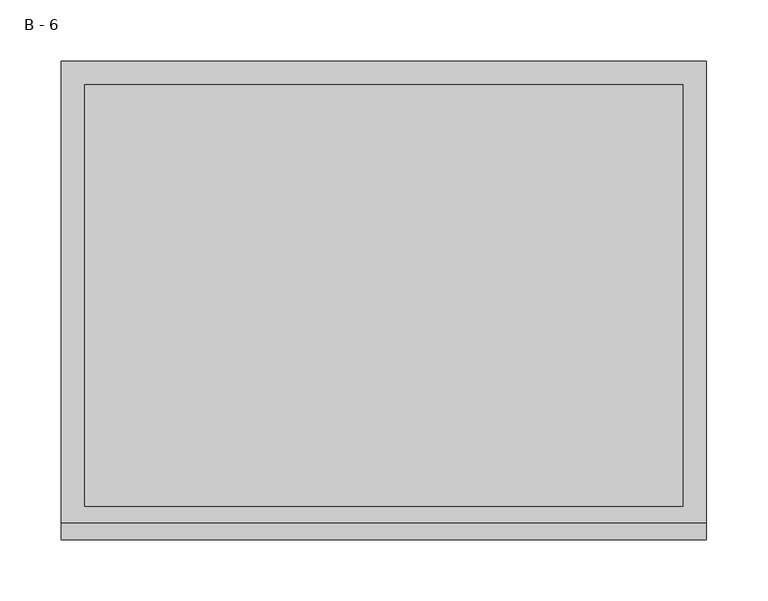
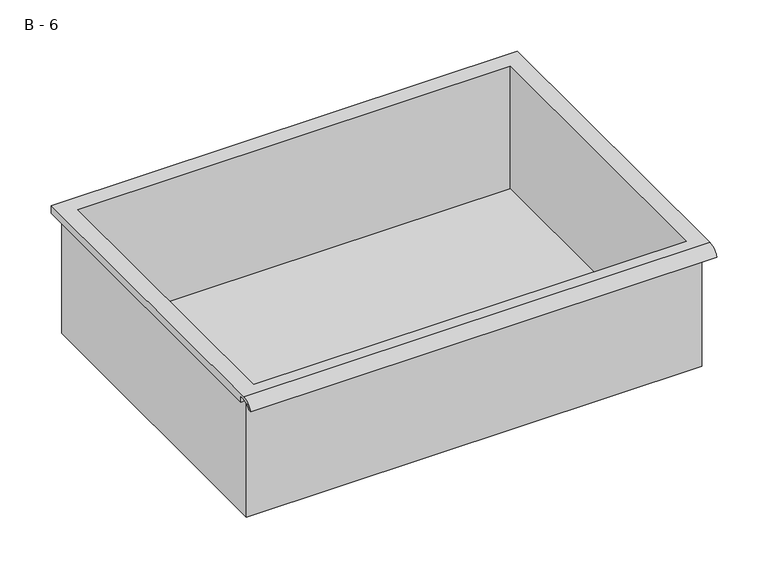
"""IFC4 building model written with IfcOpenShell, lengths in millimetres: furniture geometry, B - 6."""

import ifcopenshell
import ifcopenshell.guid

model = None  # the IFC model being written
_history = None  # IfcOwnerHistory: only IFC2X3 demands one
_inside = {}  # id of a spatial element -> (the spatial element, [elements in it])
_under = {}  # id of a project, library or spatial element -> (it, [spatial elements below it])
_declared = {}  # id of a project -> (the project, [libraries it declares])
_typed = {}  # id of a type object -> (the type object, [elements of that type])
_made_of = {}  # id of a material, layer set ... -> (it, [elements and type objects made of it])


def new_model(schema):
    """Start an empty IFC model of exactly this schema.

    Asked for "IFC4X3", IfcOpenShell would pick the latest addendum, in which some entities
    have other attributes; the version numbers below select the first issue.
    IFC2X3 requires an IfcOwnerHistory on every rooted entity: one is made here for all.
    """
    global model, _history
    if schema == "IFC4X3":
        model = ifcopenshell.file(schema_version=(4, 3, 0, 0))
    else:
        model = ifcopenshell.file(schema=schema)
    _inside.clear()
    _under.clear()
    _declared.clear()
    _typed.clear()
    _made_of.clear()
    _history = None
    if model.schema == "IFC2X3":
        org = make("IfcOrganization", Name="unknown")
        user = make(
            "IfcPersonAndOrganization",
            ThePerson=make("IfcPerson", FamilyName="unknown"),
            TheOrganization=org,
        )
        app = make(
            "IfcApplication",
            ApplicationDeveloper=org,
            Version="unknown",
            ApplicationFullName="unknown",
            ApplicationIdentifier="unknown",
        )
        _history = make(
            "IfcOwnerHistory",
            OwningUser=user,
            OwningApplication=app,
            ChangeAction="ADDED",
            CreationDate=0,
        )
    return model


def make(cls, **values):
    """One entity of the class cls with the attributes given. An attribute that is None is left unset."""
    return model.create_entity(
        cls, **{name: value for name, value in values.items() if value is not None}
    )


def rooted(cls, **values):
    """An entity with a GlobalId (a new one), such as an element, a storey or a relation."""
    return make(cls, GlobalId=ifcopenshell.guid.new(), OwnerHistory=_history, **values)


def si_unit(unit_type, name, prefix=None):
    """IfcSIUnit, for example si_unit("LENGTHUNIT", "METRE", prefix="MILLI")."""
    return make("IfcSIUnit", UnitType=unit_type, Prefix=prefix, Name=name)


def assignment(units):
    """IfcUnitAssignment: the units of a project."""
    return None if units is None else make("IfcUnitAssignment", Units=units)


def point(xyz):
    """IfcCartesianPoint."""
    return None if xyz is None else make("IfcCartesianPoint", Coordinates=xyz)


def direction(xyz):
    """IfcDirection."""
    return None if xyz is None else make("IfcDirection", DirectionRatios=xyz)


def frame(location, z_axis=None, x_axis=None):
    """IfcAxis2Placement3D, a coordinate frame: its origin and axes. An axis left out is left unset."""
    return make(
        "IfcAxis2Placement3D",
        Location=point(location),
        Axis=direction(z_axis),
        RefDirection=direction(x_axis),
    )


def origin():
    """The frame at (0, 0, 0) with its axes left unset."""
    return frame((0.0, 0.0, 0.0))


def place(relative_to, where):
    """IfcLocalPlacement: puts the frame where relative to a parent placement (None: the world)."""
    return make(
        "IfcLocalPlacement", PlacementRelTo=relative_to, RelativePlacement=where
    )


def context(
    kind, dimensions, precision=None, world=None, true_north=None, identifier=None
):
    """IfcGeometricRepresentationContext, for example the 3D "Model" context."""
    return make(
        "IfcGeometricRepresentationContext",
        ContextIdentifier=identifier,
        ContextType=kind,
        CoordinateSpaceDimension=dimensions,
        Precision=precision,
        WorldCoordinateSystem=world,
        TrueNorth=true_north,
    )


def project(units=None, contexts=None):
    """IfcProject with its units and contexts."""
    return rooted(
        "IfcProject",
        Name="project",
        RepresentationContexts=contexts,
        UnitsInContext=assignment(units),
    )


def spatial(cls, under=None, at=None, **own):
    """A site, building, storey or space (cls), placed at a placement, below another one or the project."""
    s = rooted(cls, ObjectPlacement=at, **own)
    if under is not None:
        _under.setdefault(under.id(), (under, []))[1].append(s)
    return s


def polyline(points):
    """IfcPolyline through the points."""
    return make("IfcPolyline", Points=[point(p) for p in points])


def circle_curve(where, radius):
    """IfcCircle in the frame where."""
    return make("IfcCircle", Position=where, Radius=radius)


def shape(context_of_items, identifier, shape_type, items):
    """IfcShapeRepresentation: the items that make up one representation, for example the "Body"."""
    return make(
        "IfcShapeRepresentation",
        ContextOfItems=context_of_items,
        RepresentationIdentifier=identifier,
        RepresentationType=shape_type,
        Items=items,
    )


def source(mapping_origin, context_of_items, identifier, shape_type, items):
    """IfcRepresentationMap: a shape defined once, which mapped items show again and again."""
    return make(
        "IfcRepresentationMap",
        MappingOrigin=mapping_origin,
        MappedRepresentation=shape(context_of_items, identifier, shape_type, items),
    )


def transform(
    local_origin,
    x_axis=None,
    y_axis=None,
    z_axis=None,
    scale=None,
    scale2=None,
    scale3=None,
    uniform=True,
):
    """IfcCartesianTransformationOperator3D, or its non-uniform kind. x_axis, y_axis, z_axis: its Axis1, 2, 3."""
    if uniform:
        return make(
            "IfcCartesianTransformationOperator3D",
            Axis1=direction(x_axis),
            Axis2=direction(y_axis),
            LocalOrigin=point(local_origin),
            Scale=scale,
            Axis3=direction(z_axis),
        )
    return make(
        "IfcCartesianTransformationOperator3DnonUniform",
        Axis1=direction(x_axis),
        Axis2=direction(y_axis),
        LocalOrigin=point(local_origin),
        Scale=scale,
        Axis3=direction(z_axis),
        Scale2=scale2,
        Scale3=scale3,
    )


def mapped(mapping_source, mapping_target):
    """IfcMappedItem: shows the shape of a source again, moved by a transform."""
    return make(
        "IfcMappedItem", MappingSource=mapping_source, MappingTarget=mapping_target
    )


def made_of(thing, what):
    """Note that an element or type object is made of a material, layer set ...; save() writes the relation."""
    if what is not None:
        _made_of.setdefault(what.id(), (what, []))[1].append(thing)
    return thing


def element(
    cls,
    number,
    at=None,
    inside=None,
    cuts=None,
    type_object=None,
    material=None,
    context=None,
    identifier="Body",
    shape_type=None,
    held_by="IfcProductDefinitionShape",
    body=None,
    shapes=None,
    **own,
):
    """One element of the class cls, such as IfcWall. Its Tag is "e" and its number.

    at: its placement. inside: the storey or other place that contains it. cuts: it is an
    opening in that element (IfcRelVoidsElement). A single representation is given by context,
    identifier, shape_type and body (its items); several are given by shapes. held_by: the class
    of the entity that holds the representations. save() writes the other relations.
    """
    e = rooted(cls, Tag="e%d" % number, ObjectPlacement=at, **own)
    if body is not None:
        shapes = [shape(context, identifier, shape_type, body)]
    if shapes is not None:
        e.Representation = make(held_by, Representations=shapes)
    if inside is not None:
        _inside.setdefault(inside.id(), (inside, []))[1].append(e)
    if cuts is not None:
        rooted(
            "IfcRelVoidsElement", RelatingBuildingElement=cuts, RelatedOpeningElement=e
        )
    if type_object is not None:
        _typed.setdefault(type_object.id(), (type_object, []))[1].append(e)
    return made_of(e, material)


def aggregate(whole, parts):
    """IfcRelAggregates: a whole, such as a stair, and the parts it consists of."""
    return rooted("IfcRelAggregates", RelatingObject=whole, RelatedObjects=parts)


def save(model, path):
    """Write the relations noted so far, then the file.

    IfcRelAggregates (storeys below a building ...), IfcRelContainedInSpatialStructure (elements
    in a storey), IfcRelDefinesByType, IfcRelAssociatesMaterial and IfcRelDeclares: one each for
    every whole, place, type object, material and project.
    """
    for whole, parts in _under.values():
        aggregate(whole, parts)
    for where, things in _inside.values():
        rooted(
            "IfcRelContainedInSpatialStructure",
            RelatedElements=things,
            RelatingStructure=where,
        )
    for kind, things in _typed.values():
        rooted("IfcRelDefinesByType", RelatedObjects=things, RelatingType=kind)
    for what, things in _made_of.values():
        rooted("IfcRelAssociatesMaterial", RelatedObjects=things, RelatingMaterial=what)
    for by, libraries in _declared.values():
        rooted("IfcRelDeclares", RelatingContext=by, RelatedDefinitions=libraries)
    model.write(path)


def plane_surface(at):
    """IfcPlane: the flat surface through the origin of the frame at, square to its z axis."""
    return make("IfcPlane", Position=at)


def cylinder_surface(at, radius):
    """IfcCylindricalSurface: all points at the distance radius from the z axis of the frame at."""
    return make("IfcCylindricalSurface", Position=at, Radius=radius)


def revolved_surface(curve, axis_point, axis_direction):
    """IfcSurfaceOfRevolution: the curve turned about the line through axis_point along axis_direction."""
    return make(
        "IfcSurfaceOfRevolution",
        SweptCurve=make("IfcArbitraryOpenProfileDef", ProfileType="CURVE", Curve=curve),
        AxisPosition=make("IfcAxis1Placement", Location=point(axis_point), Axis=direction(axis_direction)),
    )


def advanced_brep(points, edges, surfaces, faces):
    """IfcAdvancedBrep: a solid bounded by faces that lie on surfaces and meet in shared edges.

    An edge is (start, end): straight between two places in points (the first is 0);
    or (start, end, curve); or (start, end, curve, False) where it runs against its curve.
    A face is (place in surfaces, loops), or (place, loops, False) where it looks against
    its surface's normal. A loop lists edges by number (the first is 1), with a minus sign
    where the edge is run from its end to its start. The first loop is the outer one.
    """
    corners = [point(p) for p in points]
    vertices = [make("IfcVertexPoint", VertexGeometry=c) for c in corners]
    made = []
    for start, end, *more in edges:
        made.append(
            make(
                "IfcEdgeCurve",
                EdgeStart=vertices[start],
                EdgeEnd=vertices[end],
                EdgeGeometry=more[0] if more else make("IfcPolyline", Points=[corners[start], corners[end]]),
                SameSense=more[1] if len(more) > 1 else True,
            )
        )
    hull = []
    for where, loops, *sense in faces:
        bounds = []
        for j, loop in enumerate(loops):
            ring = [make("IfcOrientedEdge", EdgeElement=made[abs(k) - 1], Orientation=k > 0) for k in loop]
            bounds.append(
                make(
                    "IfcFaceOuterBound" if j == 0 else "IfcFaceBound",
                    Bound=make("IfcEdgeLoop", EdgeList=ring),
                    Orientation=True,
                )
            )
        hull.append(make("IfcAdvancedFace", Bounds=bounds, FaceSurface=surfaces[where], SameSense=sense[0] if sense else True))
    return make("IfcAdvancedBrep", Outer=make("IfcClosedShell", CfsFaces=hull))


def b_6_e2bf916a(model_context):
    return source(origin(), model_context, "Body", "AdvancedBrep", [
        advanced_brep(
        [(-257.1076517, -176.2125, 566.85942), (257.2423483, -176.2125, 566.85942), (257.2423483, -176.2125, 706.55942), (263.5923483, -176.2125, 706.55942), (263.5923483, -176.2125, 712.8665541), (-263.4576517, -176.2125, 712.8665541), (-263.4576517, -176.2125, 706.55942), (-257.1076517, -176.2125, 706.55942), (257.2423483, 185.7375, 566.85942), (-257.1076517, 185.7375, 566.85942), (-257.1076517, 185.7375, 706.55942), (257.2423483, 185.7375, 706.55942), (263.5923483, -181.6070544, 716.08442), (263.5923483, 195.2625, 716.08442), (-263.4576517, 195.2625, 716.08442), (-263.4576517, -181.6070544, 716.08442), (244.5423483, -168.275, 716.08442), (-244.4076517, -168.275, 716.08442), (-244.4076517, 176.2125, 716.08442), (244.5423483, 176.2125, 716.08442), (263.5923483, -195.2625, 706.55942), (263.5923483, -191.8280601, 706.55942), (263.5923483, -180.4714815, 712.8665541), (263.5923483, 195.2625, 706.55942), (-263.4576517, 195.2625, 706.55942), (-263.4576517, -180.4714815, 712.8665541), (-263.4576517, -191.8280601, 706.55942), (-263.4576517, -195.2625, 706.55942), (-244.4076517, -168.275, 569.8855919), (244.5423483, -168.275, 569.8855919), (244.5423483, 176.2125, 569.8855919), (-244.4076517, 176.2125, 569.8855919)],
        [
            (0, 1),
            (1, 2),
            (2, 3),
            (3, 4),
            (4, 5),
            (5, 6),
            (6, 7),
            (7, 0),
            (8, 9),
            (9, 10),
            (10, 11),
            (11, 8),
            (0, 9),
            (8, 1),
            (11, 2),
            (12, 13),
            (13, 14),
            (14, 15),
            (15, 12),
            (16, 17),
            (17, 18),
            (18, 19),
            (19, 16),
            (7, 10),
            (12, 20, circle_curve(frame((263.5923483, -181.6070544, 701.5334059), z_axis=(1.0, 0.0, 0.0), x_axis=(0.0, 1.0, 0.0)), 14.5510141)),
            (20, 21),
            (21, 22, circle_curve(frame((263.5923483, -181.6070544, 701.5334059), z_axis=(-1.0, 0.0, 0.0), x_axis=(0.0, 1.0, 0.0)), 11.3898979)),
            (22, 4),
            (3, 23),
            (23, 13),
            (14, 24),
            (24, 6),
            (5, 25),
            (25, 26, circle_curve(frame((-263.4576517, -181.6070544, 701.5334059), z_axis=(1.0, 0.0, 0.0), x_axis=(0.0, 1.0, 0.0)), 11.3898979)),
            (26, 27),
            (27, 15, circle_curve(frame((-263.4576517, -181.6070544, 701.5334059), z_axis=(-1.0, 0.0, 0.0), x_axis=(0.0, 1.0, 0.0)), 14.5510141)),
            (27, 20),
            (26, 21),
            (25, 22),
            (24, 23),
            (28, 29),
            (29, 30),
            (30, 31),
            (31, 28),
            (28, 17),
            (16, 29),
            (19, 30),
            (18, 31),
        ],
        [
            plane_surface(frame((257.2423483, -176.2125, 566.85942), z_axis=(0.0, -1.0, 0.0), x_axis=(1.0, 0.0, 0.0))),
            plane_surface(frame((257.2423483, 185.7375, 566.85942), z_axis=(0.0, 1.0, 0.0), x_axis=(-1.0, 0.0, 0.0))),
            plane_surface(frame((-257.1076517, -176.2125, 566.85942), z_axis=(0.0, 0.0, -1.0), x_axis=(0.0, 1.0, 0.0))),
            plane_surface(frame((257.2423483, -176.2125, 566.85942), z_axis=(1.0, 0.0, 0.0), x_axis=(0.0, 1.0, 0.0))),
            plane_surface(frame((257.2423483, -176.2125, 716.08442), z_axis=(0.0, 0.0, 1.0), x_axis=(0.0, 1.0, 0.0))),
            plane_surface(frame((-257.1076517, -176.2125, 716.08442), z_axis=(-1.0, 0.0, 0.0), x_axis=(0.0, 1.0, 0.0))),
            plane_surface(frame((263.5923483, 195.2625, 716.08442), z_axis=(1.0, 0.0, 0.0), x_axis=(0.0, -1.0, 0.0))),
            plane_surface(frame((-263.4576517, 195.2625, 716.08442), z_axis=(-1.0, 0.0, 0.0), x_axis=(0.0, 1.0, 0.0))),
            cylinder_surface(frame((-263.4576517, -181.6070544, 701.5334059), z_axis=(1.0, 0.0, 0.0), x_axis=(0.0, 1.0, 0.0)), 14.5510141),
            plane_surface(frame((263.5923483, -195.2625, 706.55942), z_axis=(0.0, -7.291233251776568e-12, -1.0), x_axis=(-1.0, 0.0, 0.0))),
            revolved_surface(polyline([(-263.4576517, -170.21715650000002, 701.5334059), (263.59234829999997, -170.21715650000002, 701.5334059)]), (-263.4576517, -181.6070544, 701.5334059), (-1.0, 0.0, 0.0)),
            plane_surface(frame((263.5923483, -180.4714815, 712.8665541), z_axis=(0.0, -1.8020319608165646e-11, -1.0), x_axis=(-1.0, 0.0, 0.0))),
            plane_surface(frame((263.5923483, -176.2125, 706.55942), z_axis=(0.0, 0.0, -1.0), x_axis=(-1.0, 0.0, 0.0))),
            plane_surface(frame((263.5923483, 195.2625, 706.55942), z_axis=(0.0, 1.0, 0.0), x_axis=(-1.0, 0.0, 0.0))),
            plane_surface(frame((244.5423483, -168.275, 569.8855919), z_axis=(0.0, 0.0, 1.0), x_axis=(-1.0, 0.0, 0.0))),
            plane_surface(frame((-244.4076517, -168.275, 716.08442), z_axis=(0.0, 1.0, 0.0), x_axis=(0.0, 0.0, -1.0))),
            plane_surface(frame((244.5423483, -168.275, 716.08442), z_axis=(-1.0, 0.0, 0.0), x_axis=(0.0, 0.0, -1.0))),
            plane_surface(frame((244.5423483, 176.2125, 716.08442), z_axis=(0.0, -1.0, 0.0), x_axis=(0.0, 0.0, -1.0))),
            plane_surface(frame((-244.4076517, 176.2125, 716.08442), z_axis=(1.0, 0.0, 0.0), x_axis=(0.0, 0.0, -1.0))),
        ],
        [
            (0, [[1, 2, 3, 4, 5, 6, 7, 8]]),
            (1, [[9, 10, 11, 12]]),
            (2, [[-1, 13, -9, 14]]),
            (3, [[-14, -12, 15, -2]]),
            (4, [[16, 17, 18, 19], [20, 21, 22, 23]]),
            (5, [[-13, -8, 24, -10]]),
            (6, [[-16, 25, 26, 27, 28, -4, 29, 30]]),
            (7, [[31, 32, -6, 33, 34, 35, 36, -18]]),
            (8, [[-25, -19, -36, 37]]),
            (9, [[-26, -37, -35, 38]]),
            (10, [[-27, -38, -34, 39]]),
            (11, [[-28, -39, -33, -5]]),
            (12, [[-29, -3, -15, -11, -24, -7, -32, 40]]),
            (13, [[-30, -40, -31, -17]]),
            (14, [[41, 42, 43, 44]]),
            (15, [[-41, 45, -20, 46]]),
            (16, [[-42, -46, -23, 47]]),
            (17, [[-43, -47, -22, 48]]),
            (18, [[-44, -48, -21, -45]]),
        ],
    ),
    ])


if __name__ == "__main__":
    model = new_model("IFC4")
    model_context = context("Model", 3, world=origin())
    ifc_project = project(units=[si_unit("LENGTHUNIT", "METRE", prefix="MILLI")], contexts=[model_context])
    site = spatial("IfcSite", under=ifc_project)
    building = spatial("IfcBuilding", under=site)
    placement = place(None, origin())
    b_6_shape = b_6_e2bf916a(model_context)
    element("IfcFurniture", 1, ObjectType="B - 6", at=placement, inside=building, context=model_context, shape_type="MappedRepresentation", body=[
        mapped(b_6_shape, transform((0.0, 0.0, 0.0), x_axis=(1.0, 0.0, 0.0), y_axis=(0.0, 1.0, 0.0), z_axis=(0.0, 0.0, 1.0))),
    ])
    save(model, "model.ifc")
